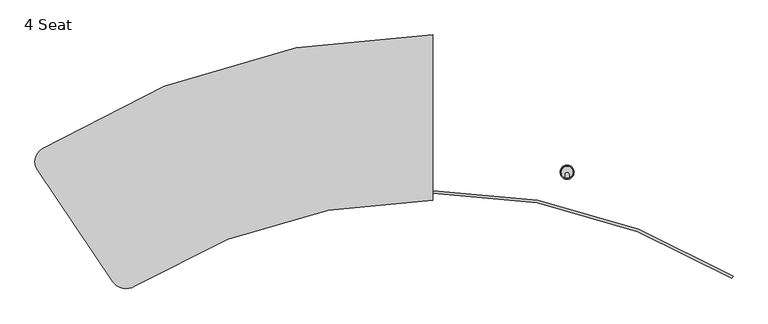
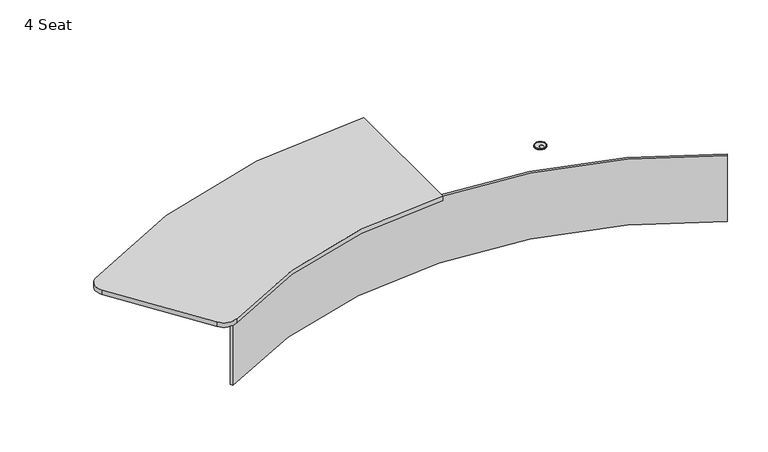
"""IFC4 building model written with IfcOpenShell, lengths in millimetres: furniture geometry, 4 Seat."""

from ifc_helpers import new_model, si_unit, point, frame, frame_2d, origin, place, context, project, spatial, polyline, circle_curve, ellipse_curve, trimmed, segment, composite_curve, outline, extrude, source, transform, mapped, element, save
from ifc_brep_helpers import plane_surface, cylinder_surface, revolved_surface, advanced_brep


def furniture_4_seat_5fdc377c(model_context):
    return source(origin(), model_context, "Body", "SolidModel", [
        extrude(outline(composite_curve([segment(trimmed(circle_curve(frame_2d((0.0, -2517.0978685)), 3262.0978685), [point((-1752.785616, 234.0882554))], [point((0.0, 745.0))], False, "CARTESIAN"), True, "CONTINUOUS"), segment(polyline([(0.0, 745.0), (0.0, 3.0)]), True, "CONTINUOUS"), segment(trimmed(circle_curve(frame_2d((0.0, -2512.8873234)), 2515.8873234), [point((0.0, 3.0))], [point((-1338.2920231, -382.4734))], True, "CARTESIAN"), True, "CONTINUOUS"), segment(trimmed(circle_curve(frame_2d((-1376.5914432, -321.5049293)), 72.0), [point((-1338.2920231, -382.4734))], [point((-1436.2821485, -361.7668184))], False, "CARTESIAN"), True, "CONTINUOUS"), segment(polyline([(-1436.2821485, -361.7668184), (-1772.9142302, 137.3107668)]), True, "CONTINUOUS"), segment(trimmed(circle_curve(frame_2d((-1715.7106377, 175.8950772)), 69.0), [point((-1772.9142302, 137.3107668))], [point((-1752.785616, 234.0882554))], False, "CARTESIAN"), True, "CONTINUOUS")], self_intersect=False)), frame((0.0, 0.0, 717.5615555), z_axis=(0.0, 0.0, 1.0), x_axis=(1.0, 0.0, 0.0)), (0.0, 0.0, 1.0), 25.0),
        advanced_brep(
        [(594.1707189, 102.9015792, 746.3005767), (594.1707189, 102.9015792, 742.5615555), (592.9291704, 99.3259671, 742.5615555), (592.9291704, 99.3259671, 744.3005767), (593.5852016, 101.2153117, 746.3005767), (612.154253, 102.8332179, 746.3005767), (612.7269335, 101.1425477, 746.3005767), (613.3685819, 99.2482702, 744.3005767), (613.3685819, 99.2482702, 742.5615555), (612.154253, 102.8332179, 742.5615555)],
        [
            (0, 1),
            (1, 2),
            (2, 3),
            (3, 4, circle_curve(frame((593.5852016, 101.2153117, 744.3005767), z_axis=(-0.9446723074342064, 0.32801559653000073, 0.0), x_axis=(0.32801559653000073, 0.9446723074342064, 0.0)), 2.0)),
            (4, 0),
            (5, 6),
            (6, 7, circle_curve(frame((612.7269335, 101.1425477, 744.3005767), z_axis=(0.9471387601219918, 0.32082420275686196, 0.0), x_axis=(-0.32082420275686196, 0.9471387601219918, 0.0)), 2.0)),
            (7, 8),
            (8, 9),
            (9, 5),
            (9, 1, circle_curve(frame((603.2621459, 129.0845394, 742.5615555), z_axis=(0.0, 0.0, -1.0), x_axis=(-0.3280155965299949, -0.9446723074342084, 0.0)), 27.7164473)),
            (0, 5, circle_curve(frame((603.2621459, 129.0845394, 746.3005767), z_axis=(0.0, 0.0, 1.0), x_axis=(-0.3280155965299949, -0.9446723074342084, 0.0)), 27.7164473)),
            (8, 2, circle_curve(frame((603.2621459, 129.0845394, 742.5615555), z_axis=(0.0, 0.0, -1.0), x_axis=(-0.3280155965299949, -0.9446723074342084, 0.0)), 31.5014763)),
            (7, 3, circle_curve(frame((603.2621459, 129.0845394, 744.3005767), z_axis=(0.0, 0.0, -1.0), x_axis=(-0.3280155965299949, -0.9446723074342084, 0.0)), 31.5014763)),
            (6, 4, circle_curve(frame((603.2621459, 129.0845394, 746.3005767), z_axis=(0.0, 0.0, -1.0), x_axis=(-0.3280155965299949, -0.9446723074342084, 0.0)), 29.5014763)),
        ],
        [
            plane_surface(frame((594.1707189, 102.9015792, 0.0), z_axis=(-0.9446723074342085, 0.32801559652999496, 0.0), x_axis=(0.0, 0.0, 1.0))),
            plane_surface(frame((612.154253, 102.8332179, 0.0), z_axis=(0.9471387601219898, 0.32082420275686785, 0.0), x_axis=(0.0, 0.0, 1.0))),
            revolved_surface(polyline([(594.1707189051983, 102.90157917523038, 746.3005767), (594.1707189051983, 102.90157917523038, 742.5615555)]), (603.2621459, 129.0845394, 0.0), (0.0, 0.0, 1.0)),
            plane_surface(frame((603.2621459, 129.0845394, 742.5615555), z_axis=(0.0, 0.0, -1.0000000000000002), x_axis=(-0.32801559652999496, -0.9446723074342085, 0.0))),
            cylinder_surface(frame((603.2621459, 129.0845394, 0.0), z_axis=(0.0, 0.0, 1.0), x_axis=(-0.3280155965299949, -0.9446723074342084, 0.0)), 31.5014763),
            revolved_surface(trimmed(ellipse_curve(frame((593.5852016, 101.2153117, 744.3005767), z_axis=(-0.9446723074342064, 0.32801559653000073, 0.0), x_axis=(0.32801559653000073, 0.9446723074342064, 0.0)), 2.0, 2.0), [point((592.9291704, 99.3259671, 744.3005767))], [point((593.5852016, 101.2153117, 746.3005767))], True, "CARTESIAN"), (603.2621459, 129.0845394, 0.0), (0.0, 0.0, 1.0)),
            plane_surface(frame((603.2621459, 129.0845394, 746.3005767), z_axis=(0.0, 0.0, 1.0000000000000002), x_axis=(-0.32801559652999496, -0.9446723074342085, 0.0))),
        ],
        [
            (0, [[1, 2, 3, 4, 5]]),
            (1, [[6, 7, 8, 9, 10]]),
            (2, [[11, -1, 12, -10]]),
            (3, [[13, -2, -11, -9]]),
            (4, [[14, -3, -13, -8]]),
            (5, [[15, -4, -14, -7]]),
            (6, [[-12, -5, -15, -6]]),
        ],
    ),
        advanced_brep(
        [(612.9506047, 103.1177957, 746.3005767), (612.9506047, 103.1177957, 742.5615555), (614.2787405, 99.573434, 742.5615555), (614.2787405, 99.573434, 744.3005767), (613.5769568, 101.446266, 746.3005767), (593.4695162, 103.156752, 746.3005767), (592.836484, 101.4877407, 746.3005767), (592.1272157, 99.6177304, 744.3005767), (592.1272157, 99.6177304, 742.5615555), (593.4695162, 103.156752, 742.5615555)],
        [
            (0, 1),
            (1, 2),
            (2, 3),
            (3, 4, circle_curve(frame((613.5769568, 101.446266, 744.3005767), z_axis=(-0.9364159917591411, -0.35089184997338424, 0.0), x_axis=(-0.35089184997338424, 0.9364159917591411, 0.0)), 2.0)),
            (4, 0),
            (5, 6),
            (6, 7, circle_curve(frame((592.836484, 101.4877407, 744.3005767), z_axis=(0.9350051501444059, -0.3546341342897456, 0.0), x_axis=(0.3546341342897456, 0.9350051501444059, 0.0)), 2.0)),
            (7, 8),
            (8, 9),
            (9, 5),
            (9, 1, circle_curve(frame((603.2617267, 128.9742534, 742.5615555), z_axis=(0.0, 0.0, -1.0), x_axis=(0.3508918499733903, -0.9364159917591389, 0.0)), 27.6121489)),
            (0, 5, circle_curve(frame((603.2617267, 128.9742534, 746.3005767), z_axis=(0.0, 0.0, 1.0), x_axis=(0.3508918499733903, -0.9364159917591389, 0.0)), 27.6121489)),
            (8, 2, circle_curve(frame((603.2617267, 128.9742534, 742.5615555), z_axis=(0.0, 0.0, -1.0), x_axis=(0.3508918499733903, -0.9364159917591389, 0.0)), 31.3971778)),
            (7, 3, circle_curve(frame((603.2617267, 128.9742534, 744.3005767), z_axis=(0.0, 0.0, -1.0), x_axis=(0.3508918499733903, -0.9364159917591389, 0.0)), 31.3971778)),
            (6, 4, circle_curve(frame((603.2617267, 128.9742534, 746.3005767), z_axis=(0.0, 0.0, -1.0), x_axis=(0.3508918499733903, -0.9364159917591389, 0.0)), 29.3971778)),
        ],
        [
            plane_surface(frame((612.9506047, 103.1177957, 0.0), z_axis=(-0.9364159917591389, -0.3508918499733903, 0.0), x_axis=(0.0, 0.0, 1.0))),
            plane_surface(frame((593.4695162, 103.156752, 0.0), z_axis=(0.9350051501444081, -0.35463413428973956, 0.0), x_axis=(0.0, 0.0, 1.0))),
            revolved_surface(polyline([(612.9506047092618, 103.1177956032055, 746.3005767), (612.9506047092618, 103.1177956032055, 742.5615555)]), (603.2617267, 128.9742534, 0.0), (0.0, 0.0, 1.0)),
            plane_surface(frame((603.2617267, 128.9742534, 742.5615555), z_axis=(0.0, 0.0, -1.0), x_axis=(0.3508918499733903, -0.9364159917591389, 0.0))),
            cylinder_surface(frame((603.2617267, 128.9742534, 0.0), z_axis=(0.0, 0.0, 1.0), x_axis=(0.3508918499733903, -0.9364159917591389, 0.0)), 31.3971778),
            revolved_surface(trimmed(ellipse_curve(frame((613.5769568, 101.446266, 744.3005767), z_axis=(-0.9364159917591411, -0.35089184997338424, 0.0), x_axis=(-0.35089184997338424, 0.9364159917591411, 0.0)), 2.0, 2.0), [point((614.2787405, 99.573434, 744.3005767))], [point((613.5769568, 101.446266, 746.3005767))], True, "CARTESIAN"), (603.2617267, 128.9742534, 0.0), (0.0, 0.0, 1.0)),
            plane_surface(frame((603.2617267, 128.9742534, 746.3005767), z_axis=(0.0, 0.0, 1.0), x_axis=(0.3508918499733903, -0.9364159917591389, 0.0))),
        ],
        [
            (0, [[1, 2, 3, 4, 5]]),
            (1, [[6, 7, 8, 9, 10]]),
            (2, [[11, -1, 12, -10]]),
            (3, [[13, -2, -11, -9]]),
            (4, [[14, -3, -13, -8]]),
            (5, [[15, -4, -14, -7]]),
            (6, [[-12, -5, -15, -6]]),
        ],
    ),
        extrude(outline(composite_curve([segment(trimmed(circle_curve(frame_2d((603.2621459, 129.0845394)), 27.7164473), [point((612.154253, 102.8332179))], [point((594.1707189, 102.9015792))], False, "CARTESIAN"), True, "CONTINUOUS"), segment(polyline([(594.1707189, 102.9015792), (594.1707189, 117.9223539)]), True, "CONTINUOUS"), segment(trimmed(circle_curve(frame_2d((603.162486, 117.9223539)), 8.9917671), [point((594.1707189, 117.9223539))], [point((612.154253, 117.9223539))], False, "CARTESIAN"), True, "CONTINUOUS"), segment(polyline([(612.154253, 117.9223539), (612.154253, 102.8332179)]), True, "CONTINUOUS")], self_intersect=False)), frame((0.0, 0.0, 742.5615555), z_axis=(0.0, 0.0, 1.0), x_axis=(1.0, 0.0, 0.0)), (0.0, 0.0, 1.0), 3.7390212),
        extrude(outline(composite_curve([segment(polyline([(593.4695162, 117.9223539), (593.4695162, 103.156752)]), True, "CONTINUOUS"), segment(trimmed(circle_curve(frame_2d((603.2617267, 128.9742534)), 27.6121489), [point((593.4695162, 103.156752))], [point((612.9506047, 103.1177957))], False, "CARTESIAN"), True, "CONTINUOUS"), segment(polyline([(612.9506047, 103.1177957), (612.9506047, 117.9223539)]), True, "CONTINUOUS"), segment(trimmed(circle_curve(frame_2d((603.2100604, 117.9223539)), 9.7405443), [point((612.9506047, 117.9223539))], [point((593.4695162, 117.9223539))], True, "CARTESIAN"), True, "CONTINUOUS")], self_intersect=False)), frame((0.0, 0.0, 742.5615555), z_axis=(0.0, 0.0, 1.0), x_axis=(1.0, 0.0, 0.0)), (0.0, 0.0, 1.0), 3.7390212),
        extrude(outline(composite_curve([segment(trimmed(circle_curve(frame_2d((0.0, -2512.8873234)), 2547.3873234), [point((1341.8167116, -347.5443741))], [point((-1341.8167116, -347.5443741))], True, "CARTESIAN"), True, "CONTINUOUS"), segment(polyline([(-1341.8167116, -347.5443741), (-1348.0586081, -337.4715777)]), True, "CONTINUOUS"), segment(trimmed(circle_curve(frame_2d((0.0, -2512.8873234)), 2559.2373234), [point((-1348.0586081, -337.4715777))], [point((1348.0586081, -337.4715777))], False, "CARTESIAN"), True, "CONTINUOUS"), segment(polyline([(1348.0586081, -337.4715777), (1341.8167116, -347.5443741)]), True, "CONTINUOUS")], self_intersect=False)), frame((0.0, 0.0, 338.2759378), z_axis=(0.0, 0.0, 1.0), x_axis=(1.0, 0.0, 0.0)), (0.0, 0.0, 1.0), 379.2856177),
    ])


if __name__ == "__main__":
    model = new_model("IFC4")
    model_context = context("Model", 3, world=origin())
    ifc_project = project(units=[si_unit("LENGTHUNIT", "METRE", prefix="MILLI")], contexts=[model_context])
    site = spatial("IfcSite", under=ifc_project)
    building = spatial("IfcBuilding", under=site)
    placement = place(None, origin())
    furniture_4_seat_shape = furniture_4_seat_5fdc377c(model_context)
    element("IfcFurniture", 1, ObjectType="4 Seat", at=placement, inside=building, context=model_context, shape_type="MappedRepresentation", body=[
        mapped(furniture_4_seat_shape, transform((0.0, 0.0, 0.0), x_axis=(1.0, 0.0, 0.0), y_axis=(0.0, 1.0, 0.0), z_axis=(0.0, 0.0, 1.0))),
    ])
    save(model, "model.ifc")
